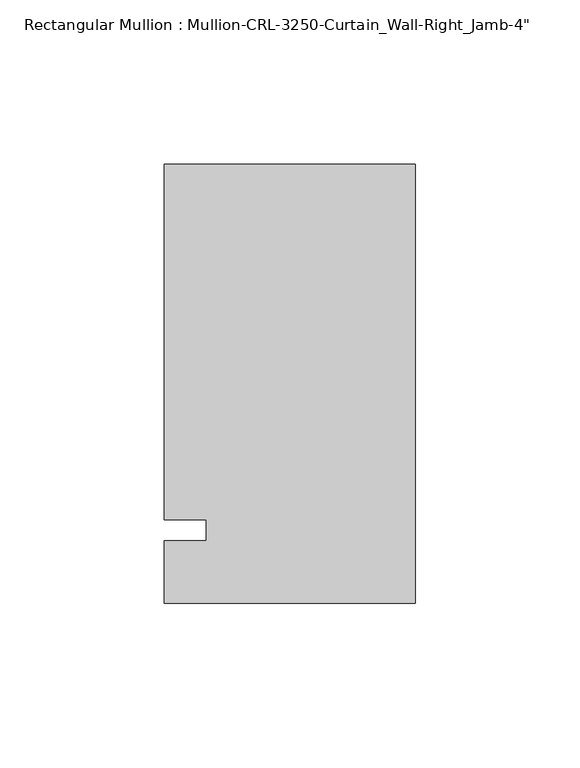
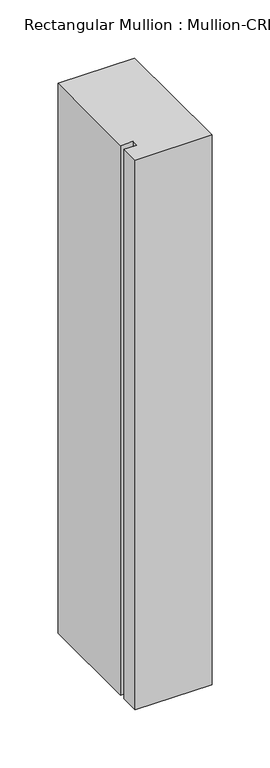
"""IFC4 building model written with IfcOpenShell, lengths in millimetres: member geometry."""

from ifc_helpers import new_model, si_unit, frame, origin, place, context, project, spatial, polyline, outline, extrude, source, transform, mapped, element, save


def member_fb9cb06b(model_context):
    return source(origin(), model_context, "Body", "SweptSolid", [
        extrude(outline(polyline([(0.0, -22.2254168), (-76.199997, -22.2254168), (-76.199997, -3.175), (-63.499997, -3.175), (-63.499997, 3.175), (-76.199997, 3.175), (-76.199997, 111.1245832), (0.0, 111.1245832), (0.0, -22.2254168)])), frame((0.0, 0.0, -577.85), z_axis=(0.0, 0.0, 1.0), x_axis=(1.0, 0.0, 0.0)), (0.0, 0.0, 1.0), 577.85),
    ])


if __name__ == "__main__":
    model = new_model("IFC4")
    model_context = context("Model", 3, world=origin())
    ifc_project = project(units=[si_unit("LENGTHUNIT", "METRE", prefix="MILLI")], contexts=[model_context])
    site = spatial("IfcSite", under=ifc_project)
    building = spatial("IfcBuilding", under=site)
    placement = place(None, origin())
    member_shape = member_fb9cb06b(model_context)
    element("IfcMember", 1, ObjectType="Rectangular Mullion : Mullion-CRL-3250-Curtain_Wall-Right_Jamb-4\"", at=placement, inside=building, context=model_context, shape_type="MappedRepresentation", body=[
        mapped(member_shape, transform((0.0, 0.0, 0.0), x_axis=(1.0, 0.0, 0.0), y_axis=(0.0, 1.0, 0.0), z_axis=(0.0, 0.0, 1.0))),
    ])
    save(model, "model.ifc")
